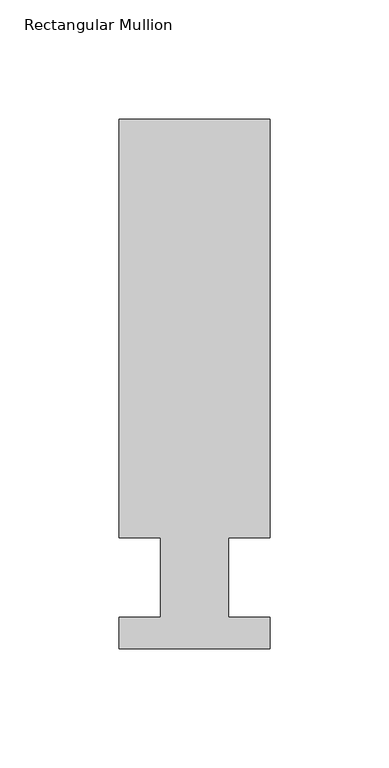
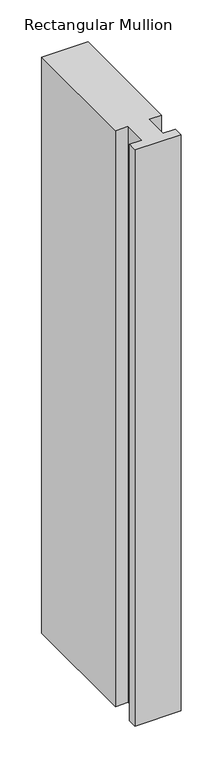
"""IFC4 building model written with IfcOpenShell, lengths in millimetres: member geometry, Rectangular Mullion."""

from ifc_helpers import new_model, si_unit, frame, origin, place, context, project, spatial, polyline, outline, extrude, source, transform, mapped, element, save


def rectangular_mullion_0cdb2cc7(model_context):
    return source(origin(), model_context, "Body", "SweptSolid", [
        extrude(outline(polyline([(-31.75, 222.5381313), (31.7500001, 222.5381313), (31.7500001, 46.7447312), (14.2748001, 46.7447312), (14.2748001, 13.3945312), (31.7499996, 13.3945312), (31.7499996, 0.2119312), (-31.7500004, 0.2119312), (-31.7500004, 13.3945312), (-14.2748009, 13.3945312), (-14.2748009, 46.7447312), (-31.75, 46.7447312), (-31.75, 222.5381313)])), frame((0.0, 0.0, -838.2), z_axis=(0.0, 0.0, 1.0), x_axis=(1.0, 0.0, 0.0)), (0.0, 0.0, 1.0), 838.2),
    ])


if __name__ == "__main__":
    model = new_model("IFC4")
    model_context = context("Model", 3, world=origin())
    ifc_project = project(units=[si_unit("LENGTHUNIT", "METRE", prefix="MILLI")], contexts=[model_context])
    site = spatial("IfcSite", under=ifc_project)
    building = spatial("IfcBuilding", under=site)
    placement = place(None, origin())
    rectangular_mullion_shape = rectangular_mullion_0cdb2cc7(model_context)
    element("IfcMember", 1, ObjectType="Rectangular Mullion", at=placement, inside=building, context=model_context, shape_type="MappedRepresentation", body=[
        mapped(rectangular_mullion_shape, transform((0.0, 0.0, 0.0), x_axis=(1.0, 0.0, 0.0), y_axis=(0.0, 1.0, 0.0), z_axis=(0.0, 0.0, 1.0))),
    ])
    save(model, "model.ifc")
